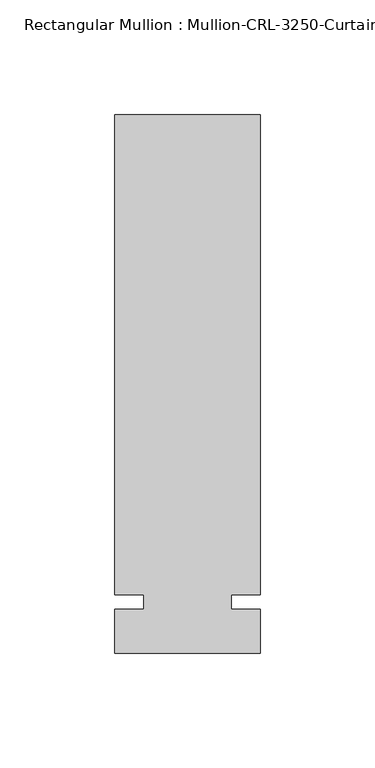
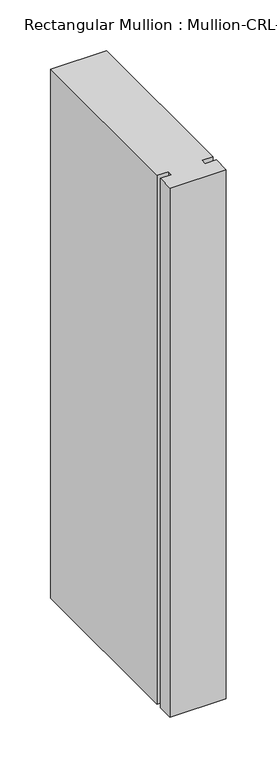
"""IFC4 building model written with IfcOpenShell, lengths in millimetres: member geometry."""

from ifc_helpers import new_model, si_unit, frame, origin, place, context, project, spatial, polyline, outline, extrude, source, transform, mapped, element, save


def member_d9b06f7e(model_context):
    return source(origin(), model_context, "Body", "SweptSolid", [
        extrude(outline(polyline([(31.7499985, -3.175), (31.7499985, -22.2254168), (-31.7499985, -22.2254168), (-31.7499985, -3.175), (-19.0499985, -3.175), (-19.0499985, 3.175), (-31.7499985, 3.175), (-31.7499985, 212.7246169), (31.7499985, 212.7246169), (31.7499985, 3.175), (19.0499985, 3.175), (19.0499985, -3.175), (31.7499985, -3.175)])), frame((0.0, 0.0, -635.0), z_axis=(0.0, 0.0, 1.0), x_axis=(1.0, 0.0, 0.0)), (0.0, 0.0, 1.0), 635.0),
    ])


if __name__ == "__main__":
    model = new_model("IFC4")
    model_context = context("Model", 3, world=origin())
    ifc_project = project(units=[si_unit("LENGTHUNIT", "METRE", prefix="MILLI")], contexts=[model_context])
    site = spatial("IfcSite", under=ifc_project)
    building = spatial("IfcBuilding", under=site)
    placement = place(None, origin())
    member_shape = member_d9b06f7e(model_context)
    element("IfcMember", 1, ObjectType="Rectangular Mullion : Mullion-CRL-3250-Curtain_Wall-Intermediate_Vertical-8\"", at=placement, inside=building, context=model_context, shape_type="MappedRepresentation", body=[
        mapped(member_shape, transform((0.0, 0.0, 0.0), x_axis=(1.0, 0.0, 0.0), y_axis=(0.0, 1.0, 0.0), z_axis=(0.0, 0.0, 1.0))),
    ])
    save(model, "model.ifc")
